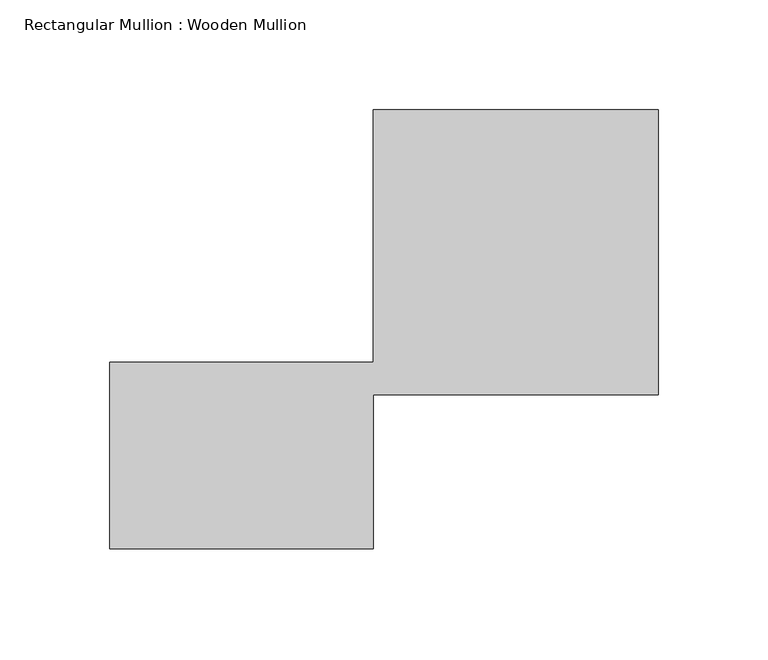
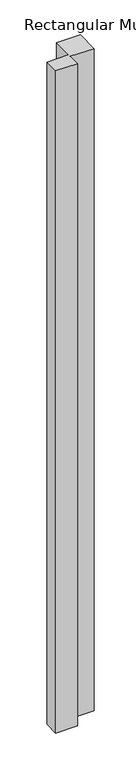
"""IFC4 building model written with IfcOpenShell, lengths in millimetres: member geometry, Rectangular Mullion : Wooden Mullion."""

from ifc_helpers import new_model, si_unit, frame, origin, place, context, project, spatial, polyline, outline, extrude, source, transform, mapped, element, save


def rectangular_mullion_wooden_mullion_d6b7ab6b(model_context):
    return source(origin(), model_context, "Body", "SweptSolid", [
        extrude(outline(polyline([(74.8100006, -26.0137344), (-45.1899994, -26.0137344), (-45.1899994, 58.9862656), (74.8100006, 58.9862656), (74.8100006, 173.9862656), (204.8100006, 173.9862656), (204.8100006, 43.9862656), (74.8100006, 43.9862656), (74.8100006, -26.0137344)])), frame((0.0, 0.0, -3838.4155424), z_axis=(0.0, 0.0, 1.0), x_axis=(1.0, 0.0, 0.0)), (0.0, 0.0, 1.0), 3838.4155424),
    ])


if __name__ == "__main__":
    model = new_model("IFC4")
    model_context = context("Model", 3, world=origin())
    ifc_project = project(units=[si_unit("LENGTHUNIT", "METRE", prefix="MILLI")], contexts=[model_context])
    site = spatial("IfcSite", under=ifc_project)
    building = spatial("IfcBuilding", under=site)
    placement = place(None, origin())
    rectangular_mullion_wooden_mullion_shape = rectangular_mullion_wooden_mullion_d6b7ab6b(model_context)
    element("IfcMember", 1, ObjectType="Rectangular Mullion : Wooden Mullion", at=placement, inside=building, context=model_context, shape_type="MappedRepresentation", body=[
        mapped(rectangular_mullion_wooden_mullion_shape, transform((0.0, 0.0, 0.0), x_axis=(1.0, 0.0, 0.0), y_axis=(0.0, 1.0, 0.0), z_axis=(0.0, 0.0, 1.0))),
    ])
    save(model, "model.ifc")
